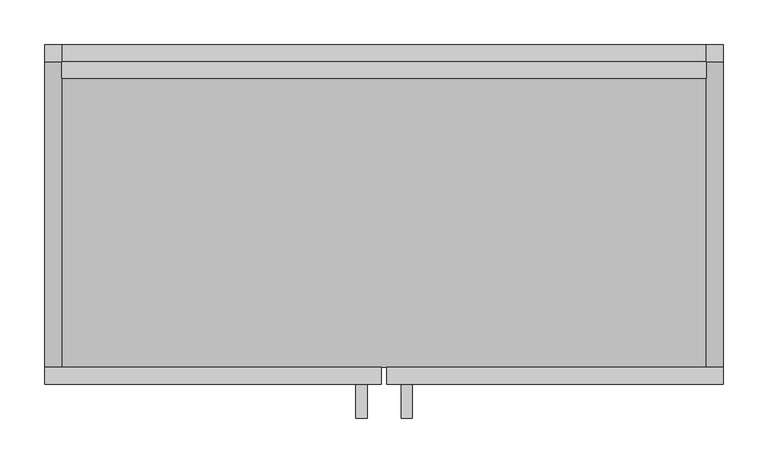
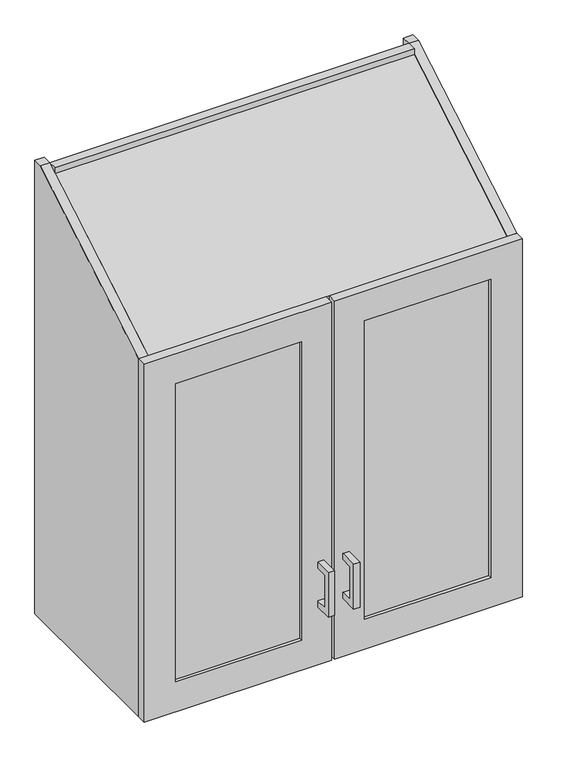
"""IFC4 building model written with IfcOpenShell, lengths in millimetres: proxy geometry."""

from ifc_helpers import new_model, si_unit, frame, origin, origin_with_axes, place, context, project, spatial, polyline, outline, extrude, source, transform, mapped, element, save


def specialty_equipment_4076ba17(model_context):
    return source(origin(), model_context, "Body", "SweptSolid", [
        extrude(outline(polyline([(0.0, 381.0), (762.0, 381.0), (762.0, 3.175), (0.0, 3.175), (0.0, 381.0)]), holes=[polyline([(63.5, 317.5), (63.5, 63.5), (698.5, 63.5), (698.5, 317.5), (63.5, 317.5)])]), frame((0.0, -381.0, 0.0), z_axis=(0.0, 1.0, 0.0), x_axis=(0.0, 0.0, 1.0)), (0.0, 0.0, 1.0), 19.05),
        extrude(outline(polyline([(0.0, -3.175), (762.0, -3.175), (762.0, -381.0), (0.0, -381.0), (0.0, -3.175)]), holes=[polyline([(63.5, -63.5), (63.5, -317.5), (698.5, -317.5), (698.5, -63.5), (63.5, -63.5)])]), frame((0.0, -381.0, 0.0), z_axis=(0.0, 1.0, 0.0), x_axis=(0.0, 0.0, 1.0)), (0.0, 0.0, 1.0), 19.05),
        extrude(outline(polyline([(63.5, -368.3), (317.5, -368.3), (317.5, -374.65), (63.5, -374.65), (63.5, -368.3)])), frame((0.0, 0.0, 63.5), z_axis=(0.0, 0.0, 1.0), x_axis=(1.0, 0.0, 0.0)), (0.0, 0.0, 1.0), 635.0),
        extrude(outline(polyline([(-317.5, -368.3), (-63.5, -368.3), (-63.5, -374.65), (-317.5, -374.65), (-317.5, -368.3)])), frame((0.0, 0.0, 63.5), z_axis=(0.0, 0.0, 1.0), x_axis=(1.0, 0.0, 0.0)), (0.0, 0.0, 1.0), 635.0),
        extrude(outline(polyline([(-361.95, -361.95), (-361.95, -19.05), (361.95, -19.05), (361.95, -361.95), (-361.95, -361.95)])), frame((0.0, 0.0, 470.4491105), z_axis=(0.0, 0.0, 1.0), x_axis=(1.0, 0.0, 0.0)), (0.0, 0.0, 1.0), 21.9408013),
        extrude(outline(polyline([(-361.95, -361.95), (-361.95, -19.05), (361.95, -19.05), (361.95, -361.95), (-361.95, -361.95)])), frame((0.0, 0.0, 229.9011198), z_axis=(0.0, 0.0, 1.0), x_axis=(1.0, 0.0, 0.0)), (0.0, 0.0, 1.0), 19.1067457),
        extrude(outline(polyline([(-361.95, -19.05), (361.95, -19.05), (361.95, -38.1), (-361.95, -38.1), (-361.95, -19.05)])), frame((0.0, 0.0, 19.05), z_axis=(0.0, 0.0, 1.0), x_axis=(1.0, 0.0, 0.0)), (0.0, 0.0, 1.0), 946.15),
        extrude(outline(polyline([(0.0, 762.0), (0.0, 0.0), (-361.95, 0.0), (-361.95, 762.0), (-19.05, 965.2), (0.0, 965.2), (0.0, 762.0)])), frame((361.95, 0.0, 0.0), z_axis=(1.0, 0.0, 0.0), x_axis=(0.0, 1.0, 0.0)), (0.0, 0.0, 1.0), 19.05),
        extrude(outline(polyline([(0.0, 965.2), (0.0, 0.0), (-361.95, 0.0), (-361.95, 762.0), (-19.05, 965.2), (0.0, 965.2)])), frame((-381.0, 0.0, 0.0), z_axis=(1.0, 0.0, 0.0), x_axis=(0.0, 1.0, 0.0)), (0.0, 0.0, 1.0), 19.05),
        extrude(outline(polyline([(-361.95, -361.95), (-361.95, 0.0), (361.95, 0.0), (361.95, -361.95), (-361.95, -361.95)])), origin_with_axes(), (0.0, 0.0, 1.0), 19.05),
        extrude(outline(polyline([(-19.05, 965.2), (-19.05, 943.0563437), (-361.95, 739.8563437), (-361.95, 762.0), (-19.05, 965.2)])), frame((-361.95, 0.0, 0.0), z_axis=(1.0, 0.0, 0.0), x_axis=(0.0, 1.0, 0.0)), (0.0, 0.0, 1.0), 723.9),
        extrude(outline(polyline([(-419.0810937, 219.0655468), (-381.0, 219.0655468), (-381.0, 206.3958968), (-406.4114436, 206.3958968), (-406.4114436, 136.5230095), (-381.0, 136.5230095), (-381.0, 123.8533595), (-419.0810937, 123.8533595), (-419.0810937, 219.0655468)])), frame((-31.4565288, 0.0, 0.0), z_axis=(1.0, 0.0, 0.0), x_axis=(0.0, 1.0, 0.0)), (0.0, 0.0, 1.0), 12.4023437),
        extrude(outline(polyline([(-419.0810937, 219.0655468), (-381.0, 219.0655468), (-381.0, 206.3958968), (-406.4114436, 206.3958968), (-406.4114436, 136.5230095), (-381.0, 136.5230095), (-381.0, 123.8533595), (-419.0810937, 123.8533595), (-419.0810937, 219.0655468)])), frame((19.3476563, 0.0, 0.0), z_axis=(1.0, 0.0, 0.0), x_axis=(0.0, 1.0, 0.0)), (0.0, 0.0, 1.0), 12.4023438),
    ])


if __name__ == "__main__":
    model = new_model("IFC4")
    model_context = context("Model", 3, world=origin())
    ifc_project = project(units=[si_unit("LENGTHUNIT", "METRE", prefix="MILLI")], contexts=[model_context])
    site = spatial("IfcSite", under=ifc_project)
    building = spatial("IfcBuilding", under=site)
    placement = place(None, origin())
    specialty_equipment_shape = specialty_equipment_4076ba17(model_context)
    element("IfcBuildingElementProxy", 1, Name="Specialty Equipment", at=placement, inside=building, context=model_context, shape_type="MappedRepresentation", body=[
        mapped(specialty_equipment_shape, transform((0.0, 0.0, 0.0), x_axis=(1.0, 0.0, 0.0), y_axis=(0.0, 1.0, 0.0), z_axis=(0.0, 0.0, 1.0))),
    ])
    save(model, "model.ifc")
